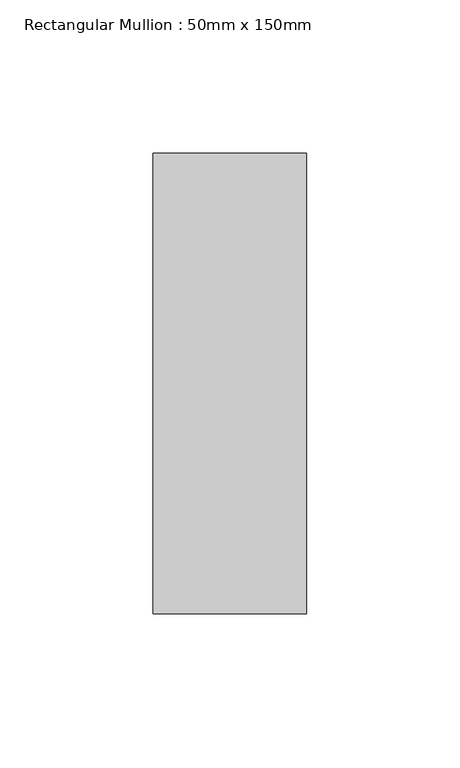
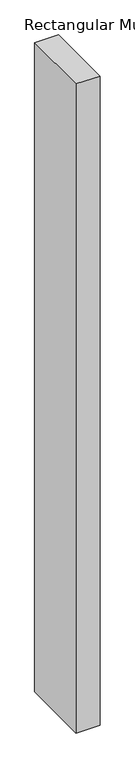
"""IFC4 building model written with IfcOpenShell, lengths in millimetres: member geometry, Rectangular Mullion : 50mm x 150mm."""

from ifc_helpers import new_model, si_unit, frame, origin, place, context, project, spatial, polyline, outline, extrude, source, transform, mapped, element, save


def rectangular_mullion_50mm_x_150mm_72e57468(model_context):
    return source(origin(), model_context, "Body", "SweptSolid", [
        extrude(outline(polyline([(25.0, 75.0), (25.0, -75.0), (-25.0, -75.0), (-25.0, 75.0), (25.0, 75.0)])), frame((0.0, 0.0, -1435.7142856), z_axis=(0.0, 0.0, 1.0), x_axis=(1.0, 0.0, 0.0)), (0.0, 0.0, 1.0), 1435.7142856),
    ])


if __name__ == "__main__":
    model = new_model("IFC4")
    model_context = context("Model", 3, world=origin())
    ifc_project = project(units=[si_unit("LENGTHUNIT", "METRE", prefix="MILLI")], contexts=[model_context])
    site = spatial("IfcSite", under=ifc_project)
    building = spatial("IfcBuilding", under=site)
    placement = place(None, origin())
    rectangular_mullion_50mm_x_150mm_shape = rectangular_mullion_50mm_x_150mm_72e57468(model_context)
    element("IfcMember", 1, ObjectType="Rectangular Mullion : 50mm x 150mm", at=placement, inside=building, context=model_context, shape_type="MappedRepresentation", body=[
        mapped(rectangular_mullion_50mm_x_150mm_shape, transform((0.0, 0.0, 0.0), x_axis=(1.0, 0.0, 0.0), y_axis=(0.0, 1.0, 0.0), z_axis=(0.0, 0.0, 1.0))),
    ])
    save(model, "model.ifc")
